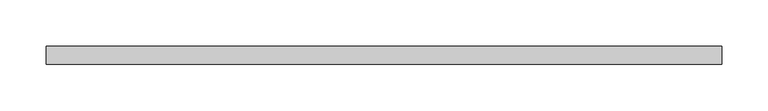
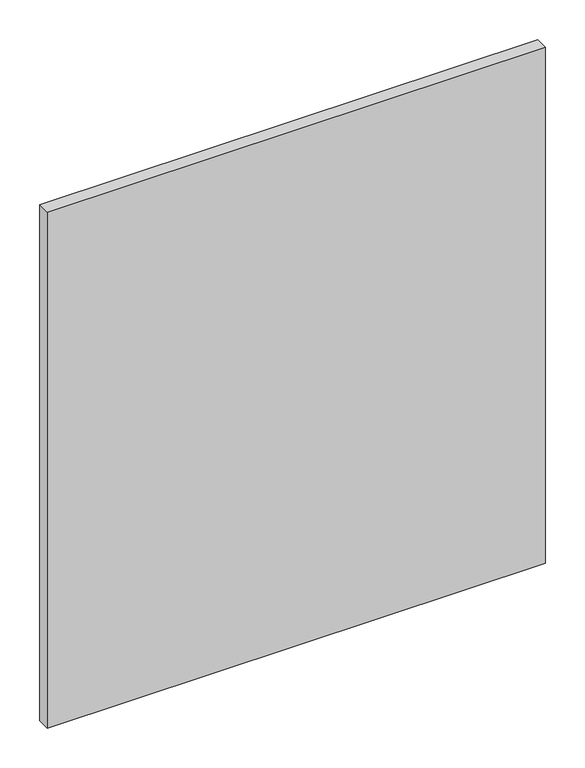
"""IFC4 building model written with IfcOpenShell, lengths in millimetres: proxy geometry."""

from ifc_helpers import new_model, si_unit, frame, origin, place, context, project, spatial, polyline, outline, extrude, source, transform, mapped, element, save


def specialty_equipment_ca52b92f(model_context):
    return source(origin(), model_context, "Body", "SweptSolid", [
        extrude(outline(polyline([(363.2454, 0.0), (363.2454, -19.05), (-363.2454, -19.05), (-363.2454, 0.0), (363.2454, 0.0)])), frame((0.0, 0.0, 3.175), z_axis=(0.0, 0.0, 1.0), x_axis=(1.0, 0.0, 0.0)), (0.0, 0.0, 1.0), 796.0868001),
    ])


if __name__ == "__main__":
    model = new_model("IFC4")
    model_context = context("Model", 3, world=origin())
    ifc_project = project(units=[si_unit("LENGTHUNIT", "METRE", prefix="MILLI")], contexts=[model_context])
    site = spatial("IfcSite", under=ifc_project)
    building = spatial("IfcBuilding", under=site)
    placement = place(None, origin())
    specialty_equipment_shape = specialty_equipment_ca52b92f(model_context)
    element("IfcBuildingElementProxy", 1, Name="Specialty Equipment", at=placement, inside=building, context=model_context, shape_type="MappedRepresentation", body=[
        mapped(specialty_equipment_shape, transform((0.0, 0.0, 0.0), x_axis=(1.0, 0.0, 0.0), y_axis=(0.0, 1.0, 0.0), z_axis=(0.0, 0.0, 1.0))),
    ])
    save(model, "model.ifc")
